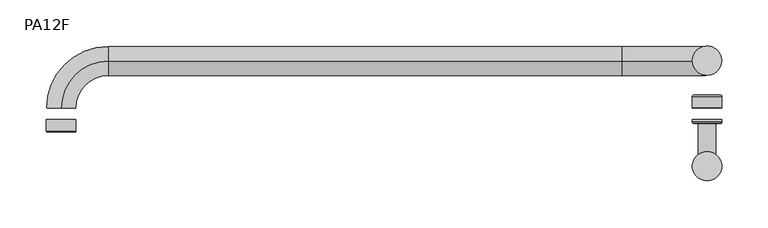
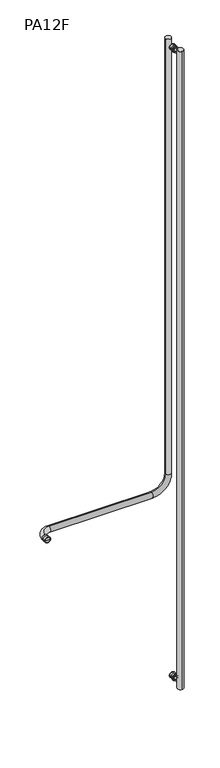
"""IFC4 building model written with IfcOpenShell, lengths in millimetres: proxy geometry, PA12F."""

from ifc_helpers import new_model, si_unit, point, frame, frame_2d, origin, origin_with_axes, place, context, project, spatial, circle_curve, ellipse_curve, trimmed, segment, composite_curve, outline, extrude, source, transform, mapped, element, save
from ifc_brep_helpers import plane_surface, cylinder_surface, revolved_surface, advanced_brep


def pa12f_deb9773d(model_context):
    return source(origin(), model_context, "Body", "SolidModel", [
        advanced_brep(
        [(-333.1654925, -6.35, 1066.8), (-365.3345075, -6.35, 1066.8), (-349.25, -6.35, 1066.8), (-333.1654925, -18.3134, 1066.8), (-365.3345075, -18.3134, 1066.8), (-334.6894925, -19.8374, 1066.8), (-363.8105075, -19.8374, 1066.8), (-349.25, -19.8374, 1066.8)],
        [
            (0, 1, circle_curve(frame((-349.25, -6.35, 1066.8), z_axis=(0.0, 1.0, 0.0), x_axis=(-1.0, 0.0, 0.0)), 16.0845075)),
            (1, 2),
            (2, 0),
            (1, 0, circle_curve(frame((-349.25, -6.35, 1066.8), z_axis=(0.0, 1.0, 0.0), x_axis=(-1.0, 0.0, 0.0)), 16.0845075)),
            (3, 4, circle_curve(frame((-349.25, -18.3134, 1066.8), z_axis=(0.0, 1.0, 0.0), x_axis=(-1.0, 0.0, 0.0)), 16.0845075)),
            (4, 1),
            (0, 3),
            (4, 3, circle_curve(frame((-349.25, -18.3134, 1066.8), z_axis=(0.0, 1.0, 0.0), x_axis=(-1.0, 0.0, 0.0)), 16.0845075)),
            (5, 6, circle_curve(frame((-349.25, -19.8374, 1066.8), z_axis=(0.0, 1.0, 0.0), x_axis=(-1.0, 0.0, 0.0)), 14.5605075)),
            (6, 4, circle_curve(frame((-363.8105075, -18.3134, 1066.8), z_axis=(0.0, 0.0, -1.0), x_axis=(-1.0, 0.0, 0.0)), 1.524)),
            (3, 5, circle_curve(frame((-334.6894925, -18.3134, 1066.8), z_axis=(0.0, 0.0, -1.0), x_axis=(1.0, 0.0, 0.0)), 1.524)),
            (6, 5, circle_curve(frame((-349.25, -19.8374, 1066.8), z_axis=(0.0, 1.0, 0.0), x_axis=(-1.0, 0.0, 0.0)), 14.5605075)),
            (7, 6),
            (5, 7),
        ],
        [
            plane_surface(frame((-349.25, -6.35, 1066.8), z_axis=(0.0, 1.0, 0.0), x_axis=(-1.0, 0.0, 0.0))),
            cylinder_surface(frame((-349.25, 617.3332074, 1066.8), z_axis=(0.0, -1.0, 0.0), x_axis=(-1.0, 0.0, 0.0)), 16.0845075),
            revolved_surface(trimmed(ellipse_curve(frame((-363.8105075, -18.3134, 1066.8), z_axis=(0.0, 0.0, 1.0), x_axis=(-1.0, 0.0, 0.0)), 1.524, 1.524), [point((-365.3345075, -18.3134, 1066.8))], [point((-363.8105075, -19.8374, 1066.8))], True, "CARTESIAN"), (-349.25, 617.3332074, 1066.8), (0.0, -1.0, 0.0)),
            plane_surface(frame((-349.25, -19.8374, 1066.8), z_axis=(0.0, -1.0, 0.0), x_axis=(-1.0, 0.0, 0.0))),
        ],
        [
            (0, [[1, 2, 3]]),
            (0, [[4, -3, -2]]),
            (1, [[5, 6, -1, 7]]),
            (1, [[8, -7, -4, -6]]),
            (2, [[9, 10, -5, 11]]),
            (2, [[12, -11, -8, -10]]),
            (3, [[13, -9, 14]]),
            (3, [[-14, -12, -13]]),
        ],
    ),
        advanced_brep(
        [(349.25, 6.35, 3622.675), (333.375, 6.35, 3622.675), (365.125, 6.35, 3622.675), (363.601, 19.8628, 3622.675), (334.899, 19.8628, 3622.675), (349.25, 19.8628, 3622.675), (365.125, 18.3388, 3622.675), (333.375, 18.3388, 3622.675)],
        [
            (0, 1),
            (1, 2, circle_curve(frame((349.25, 6.35, 3622.675), z_axis=(0.0, -1.0, 0.0), x_axis=(-1.0, 0.0, 0.0)), 15.875)),
            (2, 0),
            (2, 1, circle_curve(frame((349.25, 6.35, 3622.675), z_axis=(0.0, -1.0, 0.0), x_axis=(-1.0, 0.0, 0.0)), 15.875)),
            (3, 4, circle_curve(frame((349.25, 19.8628, 3622.675), z_axis=(0.0, 1.0, 0.0), x_axis=(-1.0, 0.0, 0.0)), 14.351)),
            (4, 5),
            (5, 3),
            (4, 3, circle_curve(frame((349.25, 19.8628, 3622.675), z_axis=(0.0, 1.0, 0.0), x_axis=(-1.0, 0.0, 0.0)), 14.351)),
            (6, 7, circle_curve(frame((349.25, 18.3388, 3622.675), z_axis=(0.0, 1.0, 0.0), x_axis=(-1.0, 0.0, 0.0)), 15.875)),
            (7, 4, circle_curve(frame((334.899, 18.3388, 3622.675), z_axis=(0.0, 0.0, -1.0), x_axis=(-1.0, 0.0, 0.0)), 1.524)),
            (3, 6, circle_curve(frame((363.601, 18.3388, 3622.675), z_axis=(0.0, 0.0, -1.0), x_axis=(1.0, 0.0, 0.0)), 1.524)),
            (7, 6, circle_curve(frame((349.25, 18.3388, 3622.675), z_axis=(0.0, 1.0, 0.0), x_axis=(-1.0, 0.0, 0.0)), 15.875)),
            (1, 7),
            (6, 2),
        ],
        [
            plane_surface(frame((349.25, 6.35, 3622.675), z_axis=(0.0, -1.0, 0.0), x_axis=(-1.0, 0.0, 0.0))),
            plane_surface(frame((349.25, 19.8628, 3622.675), z_axis=(0.0, 1.0, 0.0), x_axis=(-1.0, 0.0, 0.0))),
            revolved_surface(trimmed(ellipse_curve(frame((334.899, 18.3388, 3622.675), z_axis=(0.0, 0.0, 1.0), x_axis=(-1.0, 0.0, 0.0)), 1.524, 1.524), [point((334.899, 19.8628, 3622.675))], [point((333.375, 18.3388, 3622.675))], True, "CARTESIAN"), (349.25, -626.9065276, 3622.675), (0.0, -1.0, 0.0)),
            cylinder_surface(frame((349.25, -626.9065276, 3622.675), z_axis=(0.0, -1.0, 0.0), x_axis=(-1.0, 0.0, 0.0)), 15.875),
        ],
        [
            (0, [[1, 2, 3]]),
            (0, [[-3, 4, -1]]),
            (1, [[5, 6, 7]]),
            (1, [[8, -7, -6]]),
            (2, [[9, 10, -5, 11]]),
            (2, [[12, -11, -8, -10]]),
            (3, [[-2, 13, -9, 14]]),
            (3, [[-4, -14, -12, -13]]),
        ],
    ),
        advanced_brep(
        [(349.25, -44.45, 3622.675), (339.725, -44.45, 3622.675), (358.775, -44.45, 3622.675), (365.125, -6.35, 3622.675), (333.375, -6.35, 3622.675), (349.25, -6.35, 3622.675), (365.125, -8.763, 3622.675), (333.375, -8.763, 3622.675), (363.601, -10.287, 3622.675), (334.899, -10.287, 3622.675), (359.5624, -10.287, 3622.675), (338.9376, -10.287, 3622.675), (358.775, -11.0744, 3622.675), (339.725, -11.0744, 3622.675)],
        [
            (0, 1),
            (1, 2, circle_curve(frame((349.25, -44.45, 3622.675), z_axis=(0.0, -1.0, 0.0), x_axis=(-1.0, 0.0, 0.0)), 9.525)),
            (2, 0),
            (2, 1, circle_curve(frame((349.25, -44.45, 3622.675), z_axis=(0.0, -1.0, 0.0), x_axis=(-1.0, 0.0, 0.0)), 9.525)),
            (3, 4, circle_curve(frame((349.25, -6.35, 3622.675), z_axis=(0.0, 1.0, 0.0), x_axis=(-1.0, 0.0, 0.0)), 15.875)),
            (4, 5),
            (5, 3),
            (4, 3, circle_curve(frame((349.25, -6.35, 3622.675), z_axis=(0.0, 1.0, 0.0), x_axis=(-1.0, 0.0, 0.0)), 15.875)),
            (6, 7, circle_curve(frame((349.25, -8.763, 3622.675), z_axis=(0.0, 1.0, 0.0), x_axis=(-1.0, 0.0, 0.0)), 15.875)),
            (7, 4),
            (3, 6),
            (7, 6, circle_curve(frame((349.25, -8.763, 3622.675), z_axis=(0.0, 1.0, 0.0), x_axis=(-1.0, 0.0, 0.0)), 15.875)),
            (8, 9, circle_curve(frame((349.25, -10.287, 3622.675), z_axis=(0.0, 1.0, 0.0), x_axis=(-1.0, 0.0, 0.0)), 14.351)),
            (9, 7, circle_curve(frame((334.899, -8.763, 3622.675), z_axis=(0.0, 0.0, -1.0), x_axis=(-1.0, 0.0, 0.0)), 1.524)),
            (6, 8, circle_curve(frame((363.601, -8.763, 3622.675), z_axis=(0.0, 0.0, -1.0), x_axis=(1.0, 0.0, 0.0)), 1.524)),
            (9, 8, circle_curve(frame((349.25, -10.287, 3622.675), z_axis=(0.0, 1.0, 0.0), x_axis=(-1.0, 0.0, 0.0)), 14.351)),
            (10, 11, circle_curve(frame((349.25, -10.287, 3622.675), z_axis=(0.0, 1.0, 0.0), x_axis=(-1.0, 0.0, 0.0)), 10.3124)),
            (11, 9),
            (8, 10),
            (11, 10, circle_curve(frame((349.25, -10.287, 3622.675), z_axis=(0.0, 1.0, 0.0), x_axis=(-1.0, 0.0, 0.0)), 10.3124)),
            (12, 13, circle_curve(frame((349.25, -11.0744, 3622.675), z_axis=(0.0, 1.0, 0.0), x_axis=(-1.0, 0.0, 0.0)), 9.525)),
            (13, 11, circle_curve(frame((338.9376, -11.0744, 3622.675), z_axis=(0.0, 0.0, 1.0), x_axis=(-1.0, 0.0, 0.0)), 0.7874)),
            (10, 12, circle_curve(frame((359.5624, -11.0744, 3622.675), z_axis=(0.0, 0.0, 1.0), x_axis=(1.0, 0.0, 0.0)), 0.7874)),
            (13, 12, circle_curve(frame((349.25, -11.0744, 3622.675), z_axis=(0.0, 1.0, 0.0), x_axis=(-1.0, 0.0, 0.0)), 9.525)),
            (1, 13),
            (12, 2),
        ],
        [
            plane_surface(frame((349.25, -44.45, 3622.675), z_axis=(0.0, -1.0, 0.0), x_axis=(-1.0, 0.0, 0.0))),
            plane_surface(frame((349.25, -6.35, 3622.675), z_axis=(0.0, 1.0, 0.0), x_axis=(-1.0, 0.0, 0.0))),
            cylinder_surface(frame((349.25, -626.9065276, 3622.675), z_axis=(0.0, -1.0, 0.0), x_axis=(-1.0, 0.0, 0.0)), 15.875),
            revolved_surface(trimmed(ellipse_curve(frame((334.899, -8.763, 3622.675), z_axis=(0.0, 0.0, 1.0), x_axis=(-1.0, 0.0, 0.0)), 1.524, 1.524), [point((333.375, -8.763, 3622.675))], [point((334.899, -10.287, 3622.675))], True, "CARTESIAN"), (349.25, -626.9065276, 3622.675), (0.0, -1.0, 0.0)),
            plane_surface(frame((349.25, -10.287, 3622.675), z_axis=(0.0, -1.0, 0.0), x_axis=(-1.0, 0.0, 0.0))),
            revolved_surface(trimmed(ellipse_curve(frame((338.9376, -11.0744, 3622.675), z_axis=(0.0, 0.0, -1.0), x_axis=(-1.0, 0.0, 0.0)), 0.7874, 0.7874), [point((338.9376, -10.287, 3622.675))], [point((339.725, -11.0744, 3622.675))], True, "CARTESIAN"), (349.25, -626.9065276, 3622.675), (0.0, -1.0, 0.0)),
            cylinder_surface(frame((349.25, -626.9065276, 3622.675), z_axis=(0.0, -1.0, 0.0), x_axis=(-1.0, 0.0, 0.0)), 9.525),
        ],
        [
            (0, [[1, 2, 3]]),
            (0, [[-3, 4, -1]]),
            (1, [[5, 6, 7]]),
            (1, [[8, -7, -6]]),
            (2, [[9, 10, -5, 11]]),
            (2, [[12, -11, -8, -10]]),
            (3, [[13, 14, -9, 15]]),
            (3, [[16, -15, -12, -14]]),
            (4, [[17, 18, -13, 19]]),
            (4, [[20, -19, -16, -18]]),
            (5, [[21, 22, -17, 23]]),
            (5, [[24, -23, -20, -22]]),
            (6, [[-2, 25, -21, 26]]),
            (6, [[-4, -26, -24, -25]]),
        ],
    ),
        advanced_brep(
        [(349.25, 6.35, 28.575), (333.375, 6.35, 28.575), (365.125, 6.35, 28.575), (363.601, 19.8628, 28.575), (334.899, 19.8628, 28.575), (349.25, 19.8628, 28.575), (365.125, 18.3388, 28.575), (333.375, 18.3388, 28.575)],
        [
            (0, 1),
            (1, 2, circle_curve(frame((349.25, 6.35, 28.575), z_axis=(0.0, -1.0, 0.0), x_axis=(-1.0, 0.0, 0.0)), 15.875)),
            (2, 0),
            (2, 1, circle_curve(frame((349.25, 6.35, 28.575), z_axis=(0.0, -1.0, 0.0), x_axis=(-1.0, 0.0, 0.0)), 15.875)),
            (3, 4, circle_curve(frame((349.25, 19.8628, 28.575), z_axis=(0.0, 1.0, 0.0), x_axis=(-1.0, 0.0, 0.0)), 14.351)),
            (4, 5),
            (5, 3),
            (4, 3, circle_curve(frame((349.25, 19.8628, 28.575), z_axis=(0.0, 1.0, 0.0), x_axis=(-1.0, 0.0, 0.0)), 14.351)),
            (6, 7, circle_curve(frame((349.25, 18.3388, 28.575), z_axis=(0.0, 1.0, 0.0), x_axis=(-1.0, 0.0, 0.0)), 15.875)),
            (7, 4, circle_curve(frame((334.899, 18.3388, 28.575), z_axis=(0.0, 0.0, -1.0), x_axis=(0.0, 1.0, 0.0)), 1.524)),
            (3, 6, circle_curve(frame((363.601, 18.3388, 28.575), z_axis=(0.0, 0.0, -1.0), x_axis=(0.0, 1.0, 0.0)), 1.524)),
            (7, 6, circle_curve(frame((349.25, 18.3388, 28.575), z_axis=(0.0, 1.0, 0.0), x_axis=(-1.0, 0.0, 0.0)), 15.875)),
            (1, 7),
            (6, 2),
        ],
        [
            plane_surface(frame((349.25, 6.35, 28.575), z_axis=(0.0, -1.0, 0.0), x_axis=(-1.0, 0.0, 0.0))),
            plane_surface(frame((349.25, 19.8628, 28.575), z_axis=(0.0, 1.0, 0.0), x_axis=(-1.0, 0.0, 0.0))),
            revolved_surface(trimmed(ellipse_curve(frame((334.899, 18.3388, 28.575), z_axis=(0.0, 0.0, 1.0), x_axis=(0.0, 1.0, 0.0)), 1.524, 1.524), [point((334.899, 19.8628, 28.575))], [point((333.375, 18.3388, 28.575))], True, "CARTESIAN"), (349.25, -626.9065276, 28.575), (0.0, -1.0, 0.0)),
            cylinder_surface(frame((349.25, -626.9065276, 28.575), z_axis=(0.0, -1.0, 0.0), x_axis=(-1.0, 0.0, 0.0)), 15.875),
        ],
        [
            (0, [[1, 2, 3]]),
            (0, [[-3, 4, -1]]),
            (1, [[5, 6, 7]]),
            (1, [[8, -7, -6]]),
            (2, [[9, 10, -5, 11]]),
            (2, [[12, -11, -8, -10]]),
            (3, [[-2, 13, -9, 14]]),
            (3, [[-4, -14, -12, -13]]),
        ],
    ),
        advanced_brep(
        [(349.25, -44.45, 28.575), (339.725, -44.45, 28.575), (358.775, -44.45, 28.575), (365.125, -6.35, 28.575), (333.375, -6.35, 28.575), (349.25, -6.35, 28.575), (365.125, -8.763, 28.575), (333.375, -8.763, 28.575), (363.601, -10.287, 28.575), (334.899, -10.287, 28.575), (359.5624, -10.287, 28.575), (338.9376, -10.287, 28.575), (358.775, -11.0744, 28.575), (339.725, -11.0744, 28.575)],
        [
            (0, 1),
            (1, 2, circle_curve(frame((349.25, -44.45, 28.575), z_axis=(0.0, -1.0, 0.0), x_axis=(-1.0, 0.0, 0.0)), 9.525)),
            (2, 0),
            (2, 1, circle_curve(frame((349.25, -44.45, 28.575), z_axis=(0.0, -1.0, 0.0), x_axis=(-1.0, 0.0, 0.0)), 9.525)),
            (3, 4, circle_curve(frame((349.25, -6.35, 28.575), z_axis=(0.0, 1.0, 0.0), x_axis=(-1.0, 0.0, 0.0)), 15.875)),
            (4, 5),
            (5, 3),
            (4, 3, circle_curve(frame((349.25, -6.35, 28.575), z_axis=(0.0, 1.0, 0.0), x_axis=(-1.0, 0.0, 0.0)), 15.875)),
            (6, 7, circle_curve(frame((349.25, -8.763, 28.575), z_axis=(0.0, 1.0, 0.0), x_axis=(-1.0, 0.0, 0.0)), 15.875)),
            (7, 4),
            (3, 6),
            (7, 6, circle_curve(frame((349.25, -8.763, 28.575), z_axis=(0.0, 1.0, 0.0), x_axis=(-1.0, 0.0, 0.0)), 15.875)),
            (8, 9, circle_curve(frame((349.25, -10.287, 28.575), z_axis=(0.0, 1.0, 0.0), x_axis=(-1.0, 0.0, 0.0)), 14.351)),
            (9, 7, circle_curve(frame((334.899, -8.763, 28.575), z_axis=(0.0, 0.0, -1.0), x_axis=(0.0, 1.0, 0.0)), 1.524)),
            (6, 8, circle_curve(frame((363.601, -8.763, 28.575), z_axis=(0.0, 0.0, -1.0), x_axis=(0.0, 1.0, 0.0)), 1.524)),
            (9, 8, circle_curve(frame((349.25, -10.287, 28.575), z_axis=(0.0, 1.0, 0.0), x_axis=(-1.0, 0.0, 0.0)), 14.351)),
            (10, 11, circle_curve(frame((349.25, -10.287, 28.575), z_axis=(0.0, 1.0, 0.0), x_axis=(-1.0, 0.0, 0.0)), 10.3124)),
            (11, 9),
            (8, 10),
            (11, 10, circle_curve(frame((349.25, -10.287, 28.575), z_axis=(0.0, 1.0, 0.0), x_axis=(-1.0, 0.0, 0.0)), 10.3124)),
            (12, 13, circle_curve(frame((349.25, -11.0744, 28.575), z_axis=(0.0, 1.0, 0.0), x_axis=(-1.0, 0.0, 0.0)), 9.525)),
            (13, 11, circle_curve(frame((338.9376, -11.0744, 28.575), z_axis=(0.0, 0.0, 1.0), x_axis=(0.0, 1.0, 0.0)), 0.7874)),
            (10, 12, circle_curve(frame((359.5624, -11.0744, 28.575), z_axis=(0.0, 0.0, 1.0), x_axis=(0.0, 1.0, 0.0)), 0.7874)),
            (13, 12, circle_curve(frame((349.25, -11.0744, 28.575), z_axis=(0.0, 1.0, 0.0), x_axis=(-1.0, 0.0, 0.0)), 9.525)),
            (1, 13),
            (12, 2),
        ],
        [
            plane_surface(frame((349.25, -44.45, 28.575), z_axis=(0.0, -1.0, 0.0), x_axis=(-1.0, 0.0, 0.0))),
            plane_surface(frame((349.25, -6.35, 28.575), z_axis=(0.0, 1.0, 0.0), x_axis=(-1.0, 0.0, 0.0))),
            cylinder_surface(frame((349.25, -626.9065276, 28.575), z_axis=(0.0, -1.0, 0.0), x_axis=(-1.0, 0.0, 0.0)), 15.875),
            revolved_surface(trimmed(ellipse_curve(frame((334.899, -8.763, 28.575), z_axis=(0.0, 0.0, 1.0), x_axis=(0.0, 1.0, 0.0)), 1.524, 1.524), [point((333.375, -8.763, 28.575))], [point((334.899, -10.287, 28.575))], True, "CARTESIAN"), (349.25, -626.9065276, 28.575), (0.0, -1.0, 0.0)),
            plane_surface(frame((349.25, -10.287, 28.575), z_axis=(0.0, -1.0, 0.0), x_axis=(-1.0, 0.0, 0.0))),
            revolved_surface(trimmed(ellipse_curve(frame((338.9376, -11.0744, 28.575), z_axis=(0.0, 0.0, -1.0), x_axis=(0.0, 1.0, 0.0)), 0.7874, 0.7874), [point((338.9376, -10.287, 28.575))], [point((339.725, -11.0744, 28.575))], True, "CARTESIAN"), (349.25, -626.9065276, 28.575), (0.0, -1.0, 0.0)),
            cylinder_surface(frame((349.25, -626.9065276, 28.575), z_axis=(0.0, -1.0, 0.0), x_axis=(-1.0, 0.0, 0.0)), 9.525),
        ],
        [
            (0, [[1, 2, 3]]),
            (0, [[-3, 4, -1]]),
            (1, [[5, 6, 7]]),
            (1, [[8, -7, -6]]),
            (2, [[9, 10, -5, 11]]),
            (2, [[12, -11, -8, -10]]),
            (3, [[13, 14, -9, 15]]),
            (3, [[16, -15, -12, -14]]),
            (4, [[17, 18, -13, 19]]),
            (4, [[20, -19, -16, -18]]),
            (5, [[21, 22, -17, 23]]),
            (5, [[24, -23, -20, -22]]),
            (6, [[-2, 25, -21, 26]]),
            (6, [[-4, -26, -24, -25]]),
        ],
    ),
        extrude(outline(composite_curve([segment(trimmed(circle_curve(frame_2d((349.25, -57.15)), 15.875), [point((349.25, -73.025))], [point((349.25, -41.275))], False, "CARTESIAN"), True, "CONTINUOUS"), segment(trimmed(circle_curve(frame_2d((349.25, -57.15)), 15.875), [point((349.25, -41.275))], [point((349.25, -73.025))], False, "CARTESIAN"), True, "CONTINUOUS")], self_intersect=False)), origin_with_axes(), (0.0, 0.0, 1.0), 3651.25),
        advanced_brep(
        [(-349.25, 6.35, 1082.675), (-349.25, 6.35, 1050.925), (333.375, 57.15, 3651.25), (365.125, 57.15, 3651.25), (-298.45, 57.15, 1050.925), (-298.45, 57.15, 1082.675), (257.175, 57.15, 1082.675), (257.175, 57.15, 1050.925), (365.125, 57.15, 1158.875), (333.375, 57.15, 1158.875)],
        [
            (0, 1, circle_curve(frame((-349.25, 6.35, 1066.8), z_axis=(0.0, -1.0, 0.0), x_axis=(0.0, 0.0, -1.0)), 15.875)),
            (1, 0, circle_curve(frame((-349.25, 6.35, 1066.8), z_axis=(0.0, -1.0, 0.0), x_axis=(0.0, 0.0, -1.0)), 15.875)),
            (2, 3, circle_curve(frame((349.25, 57.15, 3651.25), z_axis=(0.0, 0.0, 1.0), x_axis=(1.0, 0.0, 0.0)), 15.875)),
            (3, 2, circle_curve(frame((349.25, 57.15, 3651.25), z_axis=(0.0, 0.0, 1.0), x_axis=(1.0, 0.0, 0.0)), 15.875)),
            (4, 1, circle_curve(frame((-298.45, 6.35, 1050.925), z_axis=(0.0, 0.0, 1.0), x_axis=(-1.0, 0.0, 0.0)), 50.8)),
            (0, 5, circle_curve(frame((-298.45, 6.35, 1082.675), z_axis=(0.0, 0.0, -1.0), x_axis=(-1.0, 0.0, 0.0)), 50.8)),
            (5, 4, circle_curve(frame((-298.45, 57.15, 1066.8), z_axis=(-1.0, 0.0, 0.0), x_axis=(0.0, 0.0, -1.0)), 15.875)),
            (4, 5, circle_curve(frame((-298.45, 57.15, 1066.8), z_axis=(-1.0, 0.0, 0.0), x_axis=(0.0, 0.0, -1.0)), 15.875)),
            (5, 6),
            (6, 7, circle_curve(frame((257.175, 57.15, 1066.8), z_axis=(-1.0, 0.0, 0.0), x_axis=(0.0, 0.0, -1.0)), 15.875)),
            (7, 4),
            (7, 6, circle_curve(frame((257.175, 57.15, 1066.8), z_axis=(-1.0, 0.0, 0.0), x_axis=(0.0, 0.0, -1.0)), 15.875)),
            (8, 7, circle_curve(frame((257.175, 57.15, 1158.875), z_axis=(0.0, 1.0, 0.0), x_axis=(0.0, 0.0, -1.0)), 107.95)),
            (6, 9, circle_curve(frame((257.175, 57.15, 1158.875), z_axis=(0.0, -1.0, 0.0), x_axis=(0.0, 0.0, -1.0)), 76.2)),
            (9, 8, circle_curve(frame((349.25, 57.15, 1158.875), z_axis=(0.0, 0.0, -1.0), x_axis=(1.0, 0.0, 0.0)), 15.875)),
            (8, 9, circle_curve(frame((349.25, 57.15, 1158.875), z_axis=(0.0, 0.0, -1.0), x_axis=(1.0, 0.0, 0.0)), 15.875)),
            (9, 2),
            (3, 8),
        ],
        [
            plane_surface(frame((-298.45, 6.35, 1066.8), z_axis=(0.0, -1.0, 0.0), x_axis=(-1.0, 0.0, 0.0))),
            plane_surface(frame((349.25, 41.275, 3651.25), z_axis=(0.0, 0.0, 1.0), x_axis=(1.0, 0.0, 0.0))),
            revolved_surface(trimmed(ellipse_curve(frame((-349.25, 6.35, 1066.8), z_axis=(0.0, -1.0, 0.0), x_axis=(0.0, 0.0, -1.0)), 15.875, 15.875), [point((-349.25, 6.35, 1082.675))], [point((-349.25, 6.35, 1050.925))], True, "CARTESIAN"), (-298.45, 6.35, 1066.8), (0.0, 0.0, -1.0)),
            revolved_surface(trimmed(ellipse_curve(frame((-349.25, 6.35, 1066.8), z_axis=(0.0, -1.0, 0.0), x_axis=(0.0, 0.0, -1.0)), 15.875, 15.875), [point((-349.25, 6.35, 1050.925))], [point((-349.25, 6.35, 1082.675))], True, "CARTESIAN"), (-298.45, 6.35, 1066.8), (0.0, 0.0, -1.0)),
            cylinder_surface(frame((-298.45, 57.15, 1066.8), z_axis=(-1.0, 0.0, 0.0), x_axis=(0.0, 0.0, -1.0)), 15.875),
            revolved_surface(trimmed(ellipse_curve(frame((257.175, 57.15, 1066.8), z_axis=(-1.0, 0.0, 0.0), x_axis=(0.0, 0.0, -1.0)), 15.875, 15.875), [point((257.175, 57.15, 1082.675))], [point((257.175, 57.15, 1050.925))], True, "CARTESIAN"), (257.175, 57.15, 1158.875), (0.0, -1.0, 0.0)),
            revolved_surface(trimmed(ellipse_curve(frame((257.175, 57.15, 1066.8), z_axis=(-1.0, 0.0, 0.0), x_axis=(0.0, 0.0, -1.0)), 15.875, 15.875), [point((257.175, 57.15, 1050.925))], [point((257.175, 57.15, 1082.675))], True, "CARTESIAN"), (257.175, 57.15, 1158.875), (0.0, -1.0, 0.0)),
            cylinder_surface(frame((349.25, 57.15, 1158.875), z_axis=(0.0, 0.0, -1.0), x_axis=(1.0, 0.0, 0.0)), 15.875),
        ],
        [
            (0, [[1, 2]]),
            (1, [[3, 4]]),
            (2, [[5, -1, 6, 7]]),
            (3, [[-6, -2, -5, 8]]),
            (4, [[-7, 9, 10, 11]]),
            (4, [[-8, -11, 12, -9]]),
            (5, [[13, -10, 14, 15]]),
            (6, [[-14, -12, -13, 16]]),
            (7, [[-15, 17, -4, 18]]),
            (7, [[-16, -18, -3, -17]]),
        ],
    ),
    ])


if __name__ == "__main__":
    model = new_model("IFC4")
    model_context = context("Model", 3, world=origin())
    ifc_project = project(units=[si_unit("LENGTHUNIT", "METRE", prefix="MILLI")], contexts=[model_context])
    site = spatial("IfcSite", under=ifc_project)
    building = spatial("IfcBuilding", under=site)
    placement = place(None, origin())
    pa12f_shape = pa12f_deb9773d(model_context)
    element("IfcBuildingElementProxy", 1, Name="PA12F", ObjectType="PA12F", at=placement, inside=building, context=model_context, shape_type="MappedRepresentation", body=[
        mapped(pa12f_shape, transform((0.0, 0.0, 0.0), x_axis=(1.0, 0.0, 0.0), y_axis=(0.0, 1.0, 0.0), z_axis=(0.0, 0.0, 1.0))),
    ])
    save(model, "model.ifc")
